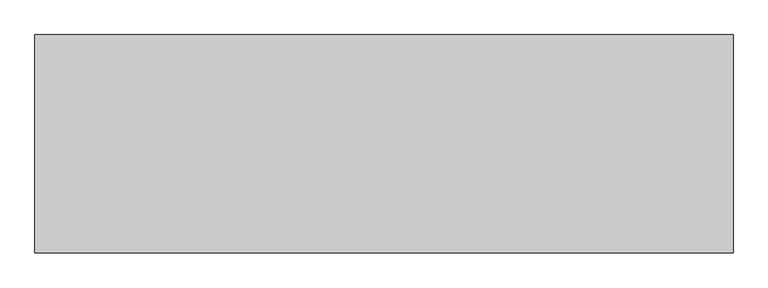
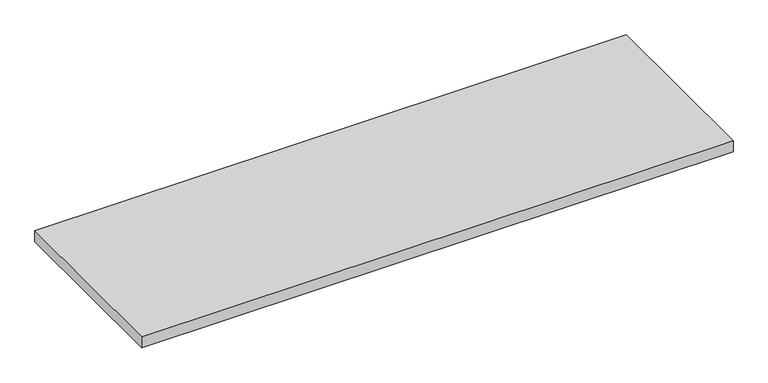
"""IFC4 building model written with IfcOpenShell, lengths in millimetres: furniture geometry."""

from ifc_helpers import new_model, si_unit, frame, origin, place, context, project, spatial, polyline, outline, extrude, source, transform, mapped, element, save


def furniture_89fef875(model_context):
    return source(origin(), model_context, "Body", "SweptSolid", [
        extrude(outline(polyline([(762.0, 238.125), (762.0, -238.125), (-762.0, -238.125), (-762.0, 238.125), (762.0, 238.125)])), frame((0.0, 0.0, 706.4375), z_axis=(0.0, 0.0, 1.0), x_axis=(1.0, 0.0, 0.0)), (0.0, 0.0, 1.0), 30.1625),
    ])


if __name__ == "__main__":
    model = new_model("IFC4")
    model_context = context("Model", 3, world=origin())
    ifc_project = project(units=[si_unit("LENGTHUNIT", "METRE", prefix="MILLI")], contexts=[model_context])
    site = spatial("IfcSite", under=ifc_project)
    building = spatial("IfcBuilding", under=site)
    placement = place(None, origin())
    furniture_shape = furniture_89fef875(model_context)
    element("IfcFurniture", 1, at=placement, inside=building, context=model_context, shape_type="MappedRepresentation", body=[
        mapped(furniture_shape, transform((0.0, 0.0, 0.0), x_axis=(1.0, 0.0, 0.0), y_axis=(0.0, 1.0, 0.0), z_axis=(0.0, 0.0, 1.0))),
    ])
    save(model, "model.ifc")
